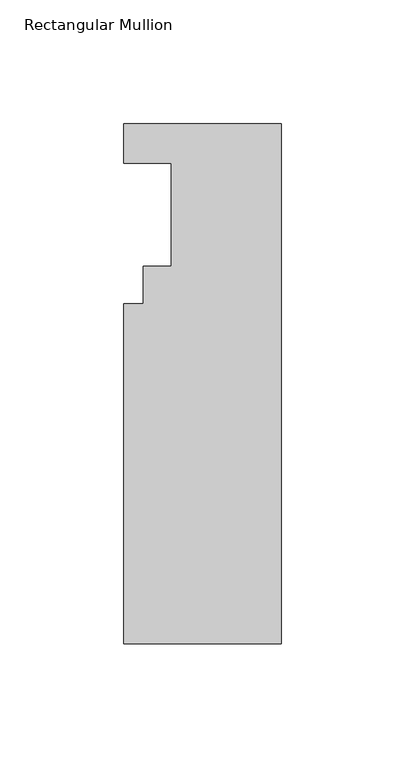
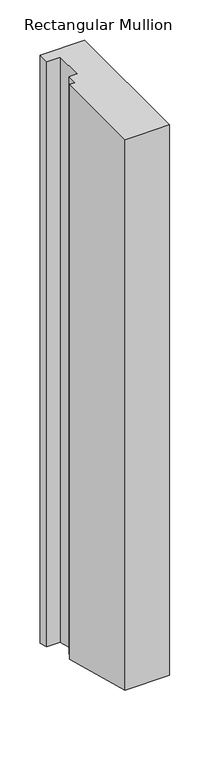
"""IFC4 building model written with IfcOpenShell, lengths in millimetres: member geometry, Rectangular Mullion."""

from ifc_helpers import new_model, si_unit, origin, place, context, project, spatial, faceted_brep, source, transform, mapped, element, save


def rectangular_mullion_97c621d7(model_context):
    return source(origin(), model_context, "Body", "Brep", [
        faceted_brep([(-63.5, 20.7208438, 0.0), (-63.5, 4.8458438, 0.0), (-44.45, 4.8458438, 0.0), (-44.45, -36.8101563, 0.0), (-55.5752, -36.8101563, 0.0), (-55.5752, -51.8723562, 0.0), (-63.5, -51.8723562, 0.0), (-63.5, -189.2101563, 0.0), (0.0, -189.2101563, 0.0), (0.0, 20.7208438, 0.0), (-63.5, 20.7208438, -886.6164652), (-63.5, 4.8458438, -882.3627718), (-44.45, 4.8458438, -882.3627718), (-44.45, -36.8101563, -871.2010802), (-55.5752, -36.8101563, -871.2010802), (-55.5752, -51.8723562, -867.1651759), (-63.5, -51.8723562, -867.1651759), (-63.5, -189.2101563, -830.3656233), (0.0, -189.2101563, -830.3656233), (0.0, 20.7208438, -886.6164652)], [[[0, 1, 2, 3, 4, 5, 6, 7, 8, 9]], [[1, 0, 10, 11]], [[2, 1, 11, 12]], [[3, 2, 12, 13]], [[4, 3, 13, 14]], [[5, 4, 14, 15]], [[6, 5, 15, 16]], [[7, 6, 16, 17]], [[8, 7, 17, 18]], [[9, 8, 18, 19]], [[0, 9, 19, 10]], [[10, 19, 18, 17, 16, 15, 14, 13, 12, 11]]]),
    ])


if __name__ == "__main__":
    model = new_model("IFC4")
    model_context = context("Model", 3, world=origin())
    ifc_project = project(units=[si_unit("LENGTHUNIT", "METRE", prefix="MILLI")], contexts=[model_context])
    site = spatial("IfcSite", under=ifc_project)
    building = spatial("IfcBuilding", under=site)
    placement = place(None, origin())
    rectangular_mullion_shape = rectangular_mullion_97c621d7(model_context)
    element("IfcMember", 1, ObjectType="Rectangular Mullion", at=placement, inside=building, context=model_context, shape_type="MappedRepresentation", body=[
        mapped(rectangular_mullion_shape, transform((0.0, 0.0, 0.0), x_axis=(1.0, 0.0, 0.0), y_axis=(0.0, 1.0, 0.0), z_axis=(0.0, 0.0, 1.0))),
    ])
    save(model, "model.ifc")
